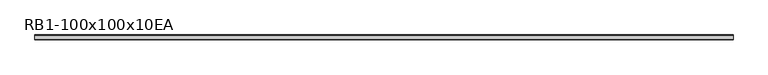
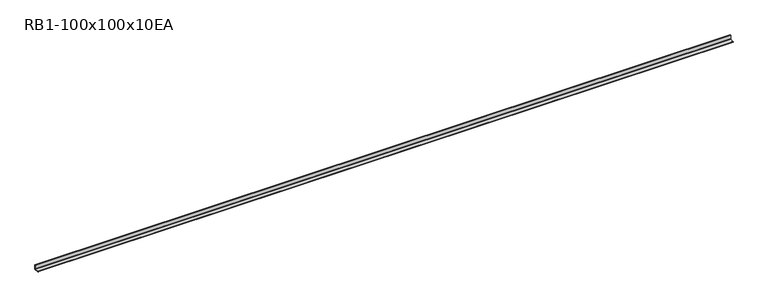
"""IFC4 building model written with IfcOpenShell, lengths in millimetres: member geometry, RB1-100x100x10EA."""

from ifc_helpers import new_model, si_unit, point, frame, frame_2d, origin, place, context, project, spatial, polyline, circle_curve, trimmed, segment, composite_curve, outline, extrude, source, transform, mapped, element, save


def rb1_100x100x10ea_b5597ab0(model_context):
    return source(origin(), model_context, "Body", "SweptSolid", [
        extrude(outline(composite_curve([segment(polyline([(28.2, -28.2), (-71.8, -28.2), (-71.8, -23.2)]), True, "CONTINUOUS"), segment(trimmed(circle_curve(frame_2d((-66.8, -23.2)), 5.0), [point((-71.8, -23.2))], [point((-66.8, -18.2))], False, "CARTESIAN"), True, "CONTINUOUS"), segment(polyline([(-66.8, -18.2), (10.2, -18.2)]), True, "CONTINUOUS"), segment(trimmed(circle_curve(frame_2d((10.2, -10.2)), 8.0), [point((10.2, -18.2))], [point((18.2, -10.2))], True, "CARTESIAN"), True, "CONTINUOUS"), segment(polyline([(18.2, -10.2), (18.2, 66.8)]), True, "CONTINUOUS"), segment(trimmed(circle_curve(frame_2d((23.2, 66.8)), 5.0), [point((18.2, 66.8))], [point((23.2, 71.8))], False, "CARTESIAN"), True, "CONTINUOUS"), segment(polyline([(23.2, 71.8), (28.2, 71.8), (28.2, -28.2)]), True, "CONTINUOUS")], self_intersect=False)), frame((-7195.5608731, 0.0, 0.0), z_axis=(1.0, 0.0, 0.0), x_axis=(0.0, 1.0, 0.0)), (0.0, 0.0, 1.0), 14513.5608731),
    ])


if __name__ == "__main__":
    model = new_model("IFC4")
    model_context = context("Model", 3, world=origin())
    ifc_project = project(units=[si_unit("LENGTHUNIT", "METRE", prefix="MILLI")], contexts=[model_context])
    site = spatial("IfcSite", under=ifc_project)
    building = spatial("IfcBuilding", under=site)
    placement = place(None, origin())
    rb1_100x100x10ea_shape = rb1_100x100x10ea_b5597ab0(model_context)
    element("IfcMember", 1, ObjectType="RB1-100x100x10EA", at=placement, inside=building, context=model_context, shape_type="MappedRepresentation", body=[
        mapped(rb1_100x100x10ea_shape, transform((0.0, 0.0, 0.0), x_axis=(1.0, 0.0, 0.0), y_axis=(0.0, 1.0, 0.0), z_axis=(0.0, 0.0, 1.0))),
    ])
    save(model, "model.ifc")
